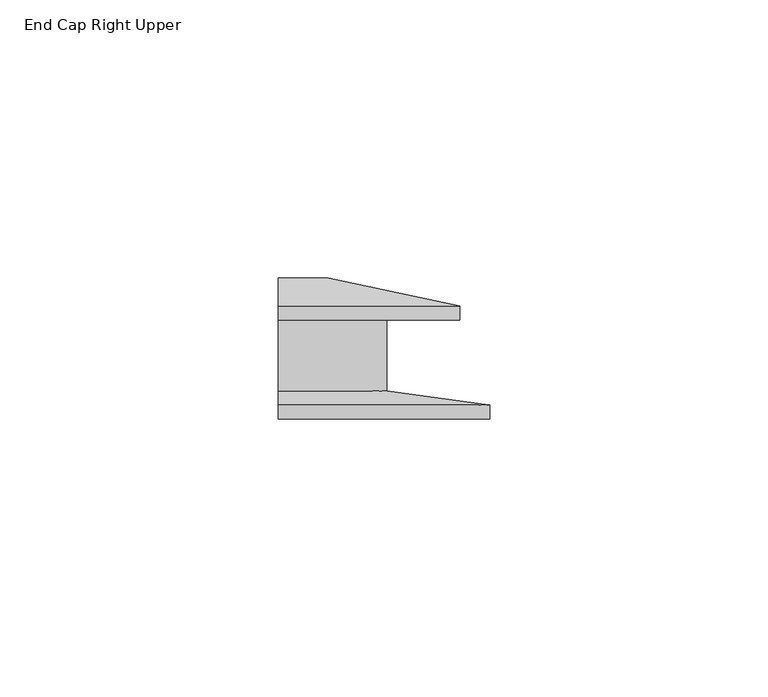
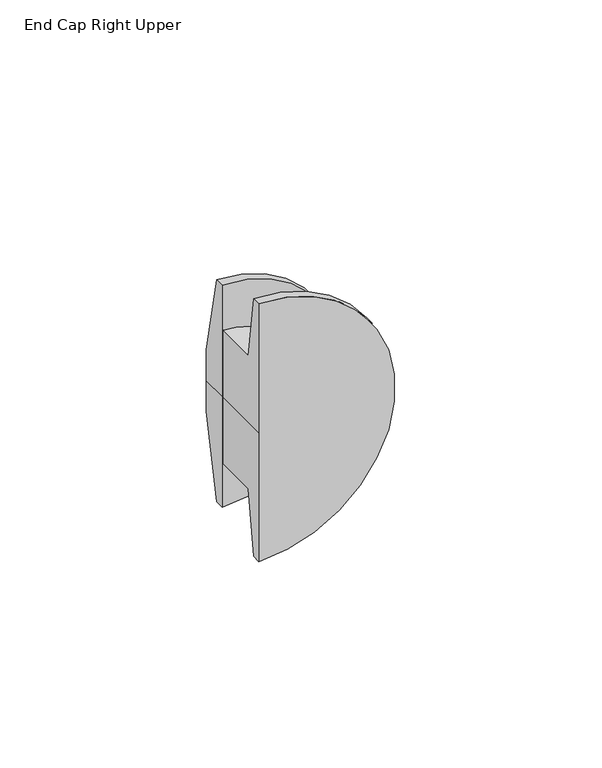
"""IFC4 building model written with IfcOpenShell, lengths in millimetres: furniture geometry, End Cap Right Upper."""

from ifc_helpers import new_model, si_unit, frame, origin, place, context, project, spatial, polyline, circle_curve, source, transform, mapped, element, save
from ifc_brep_helpers import plane_surface, cylinder_surface, revolved_surface, advanced_brep


def end_cap_right_upper_74e085dc(model_context):
    return source(origin(), model_context, "Body", "AdvancedBrep", [
        advanced_brep(
        [(-254.0, 14.6042711, 1752.6), (-254.0, 14.6042711, 1785.4265869), (-254.0, 17.1441654, 1785.4265869), (-254.0, 22.225, 1761.6630561), (-254.0, 22.225, 1752.6), (-254.0, 22.225, 1743.5369439), (-254.0, 17.1441654, 1719.7734131), (-254.0, 14.6042711, 1719.7734131)],
        [
            (0, 1),
            (1, 2),
            (2, 3),
            (3, 4),
            (4, 0),
            (4, 5),
            (5, 6),
            (6, 7),
            (7, 0),
            (3, 5, circle_curve(frame((-254.0, 22.225, 1752.6), z_axis=(0.0, 1.0, 0.0), x_axis=(0.0, 0.0, 1.0)), 9.0630561)),
            (2, 6, circle_curve(frame((-254.0, 17.1441654, 1752.6), z_axis=(0.0, 1.0, 0.0), x_axis=(0.0, 0.0, 1.0)), 32.8265869)),
            (1, 7, circle_curve(frame((-254.0, 14.6042711, 1752.6), z_axis=(0.0, 1.0, 0.0), x_axis=(0.0, 0.0, 1.0)), 32.8265869)),
        ],
        [
            plane_surface(frame((-254.0, 14.6042711, 1752.6), z_axis=(-1.0, 0.0, 0.0), x_axis=(0.0, 0.0, 1.0))),
            plane_surface(frame((-254.0, 14.6042711, 1752.6), z_axis=(-1.0, 0.0, 0.0), x_axis=(0.0, 0.0, -1.0))),
            plane_surface(frame((-254.0, 22.225, 1752.6), z_axis=(0.0, 1.0, 0.0), x_axis=(0.0, 0.0, 1.0))),
            revolved_surface(polyline([(-254.0, 22.225, 1761.6630561), (-254.0, 17.1441654, 1785.4265869)]), (-254.0, 14.6042711, 1752.6), (0.0, -1.0, 0.0)),
            cylinder_surface(frame((-254.0, 14.6042711, 1752.6), z_axis=(0.0, -1.0, 0.0), x_axis=(0.0, 0.0, 1.0)), 32.8265869),
            plane_surface(frame((-254.0, 14.6042711, 1752.6), z_axis=(0.0, -1.0, 0.0), x_axis=(0.0, 0.0, 1.0))),
        ],
        [
            (0, [[1, 2, 3, 4, 5]]),
            (1, [[-5, 6, 7, 8, 9]]),
            (2, [[-6, -4, 10]]),
            (3, [[-7, -10, -3, 11]]),
            (4, [[-8, -11, -2, 12]]),
            (5, [[-9, -12, -1]]),
        ],
    ),
        advanced_brep(
        [(-254.0, -0.6357048, 1790.7), (-254.0, 1.9047913, 1772.2826285), (-254.0, 14.6042711, 1772.2826285), (-254.0, 14.6042711, 1752.6), (-254.0, -3.175, 1752.6), (-254.0, -3.175, 1790.7), (-254.0, -0.6357048, 1714.5), (-254.0, -3.175, 1714.5), (-254.0, 14.6042711, 1732.9173715), (-254.0, 1.9047913, 1732.9173715)],
        [
            (0, 1),
            (1, 2),
            (2, 3),
            (3, 4),
            (4, 5),
            (5, 0),
            (6, 7),
            (7, 4),
            (3, 8),
            (8, 9),
            (9, 6),
            (6, 0, circle_curve(frame((-254.0, -0.6357048, 1752.6), z_axis=(0.0, -1.0, 0.0), x_axis=(0.0, 0.0, 1.0)), 38.1)),
            (5, 7, circle_curve(frame((-254.0, -3.175, 1752.6), z_axis=(0.0, 1.0, 0.0), x_axis=(0.0, 0.0, 1.0)), 38.1)),
            (2, 8, circle_curve(frame((-254.0, 14.6042711, 1752.6), z_axis=(0.0, 1.0, 0.0), x_axis=(0.0, 0.0, 1.0)), 19.6826285)),
            (1, 9, circle_curve(frame((-254.0, 1.9047913, 1752.6), z_axis=(0.0, 1.0, 0.0), x_axis=(0.0, 0.0, 1.0)), 19.6826285)),
        ],
        [
            plane_surface(frame((-254.0, -3.175, 1752.6), z_axis=(-1.0, 0.0, 0.0), x_axis=(0.0, 0.0, 1.0))),
            plane_surface(frame((-254.0, -3.175, 1752.6), z_axis=(-1.0, 0.0, 0.0), x_axis=(0.0, 0.0, -1.0))),
            cylinder_surface(frame((-254.0, -3.175, 1752.6), z_axis=(0.0, -1.0, 0.0), x_axis=(0.0, 0.0, 1.0)), 38.1),
            plane_surface(frame((-254.0, -3.175, 1752.6), z_axis=(0.0, -1.0, 0.0), x_axis=(0.0, 0.0, 1.0))),
            plane_surface(frame((-254.0, 14.6042711, 1752.6), z_axis=(0.0, 1.0, 0.0), x_axis=(0.0, 0.0, 1.0))),
            cylinder_surface(frame((-254.0, -3.175, 1752.6), z_axis=(0.0, -1.0, 0.0), x_axis=(0.0, 0.0, 1.0)), 19.6826285),
            revolved_surface(polyline([(-254.0, 1.9047913, 1772.2826285), (-254.0, -0.6357048, 1790.7)]), (-254.0, -3.175, 1752.6), (0.0, -1.0, 0.0)),
        ],
        [
            (0, [[1, 2, 3, 4, 5, 6]]),
            (1, [[7, 8, -4, 9, 10, 11]]),
            (2, [[-7, 12, -6, 13]]),
            (3, [[-8, -13, -5]]),
            (4, [[-9, -3, 14]]),
            (5, [[-10, -14, -2, 15]]),
            (6, [[-11, -15, -1, -12]]),
        ],
    ),
    ])


if __name__ == "__main__":
    model = new_model("IFC4")
    model_context = context("Model", 3, world=origin())
    ifc_project = project(units=[si_unit("LENGTHUNIT", "METRE", prefix="MILLI")], contexts=[model_context])
    site = spatial("IfcSite", under=ifc_project)
    building = spatial("IfcBuilding", under=site)
    placement = place(None, origin())
    end_cap_right_upper_shape = end_cap_right_upper_74e085dc(model_context)
    element("IfcFurniture", 1, ObjectType="End Cap Right Upper", at=placement, inside=building, context=model_context, shape_type="MappedRepresentation", body=[
        mapped(end_cap_right_upper_shape, transform((0.0, 0.0, 0.0), x_axis=(1.0, 0.0, 0.0), y_axis=(0.0, 1.0, 0.0), z_axis=(0.0, 0.0, 1.0))),
    ])
    save(model, "model.ifc")
